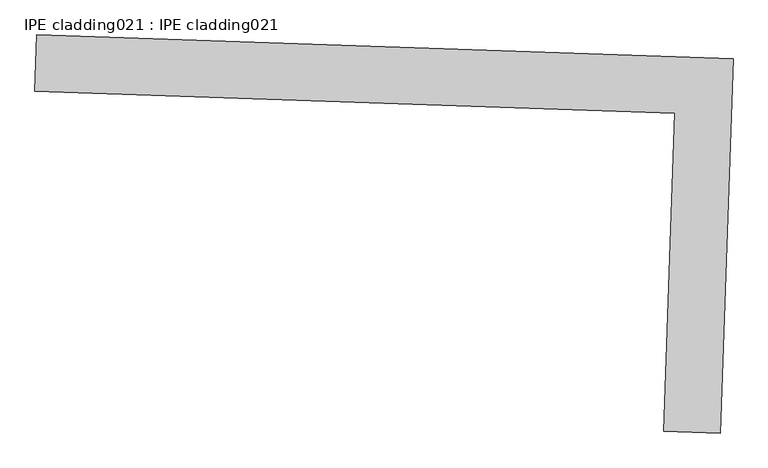
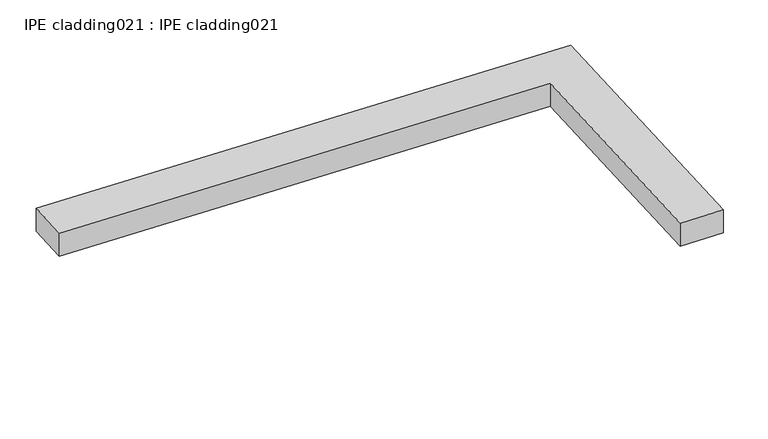
"""IFC4 building model written with IfcOpenShell, lengths in millimetres: proxy geometry, IPE cladding021 : IPE cladding021."""

from ifc_helpers import new_model, si_unit, frame, origin, place, context, project, spatial, polyline, outline, extrude, source, transform, mapped, element, save


def ipe_cladding021_ipe_cladding021_a46d6412(model_context):
    return source(origin(), model_context, "Body", "SweptSolid", [
        extrude(outline(polyline([(17306.5036741, -14579.7359046), (17309.544211, -14490.8879157), (18404.9713725, -14528.3753883), (18384.8189493, -15117.2524269), (18295.9709603, -15114.2118902), (18313.082847, -14614.1828403), (17306.5036741, -14579.7359046)])), frame((0.0, 0.0, 2258.375707), z_axis=(0.0, 0.0, 1.0), x_axis=(1.0, 0.0, 0.0)), (0.0, 0.0, 1.0), 50.8),
    ])


if __name__ == "__main__":
    model = new_model("IFC4")
    model_context = context("Model", 3, world=origin())
    ifc_project = project(units=[si_unit("LENGTHUNIT", "METRE", prefix="MILLI")], contexts=[model_context])
    site = spatial("IfcSite", under=ifc_project)
    building = spatial("IfcBuilding", under=site)
    placement = place(None, origin())
    ipe_cladding021_ipe_cladding021_shape = ipe_cladding021_ipe_cladding021_a46d6412(model_context)
    element("IfcBuildingElementProxy", 1, Name="IPE cladding021 : IPE cladding021", ObjectType="IPE cladding021 : IPE cladding021", at=placement, inside=building, context=model_context, shape_type="MappedRepresentation", body=[
        mapped(ipe_cladding021_ipe_cladding021_shape, transform((0.0, 0.0, 0.0), x_axis=(1.0, 0.0, 0.0), y_axis=(0.0, 1.0, 0.0), z_axis=(0.0, 0.0, 1.0))),
    ])
    save(model, "model.ifc")
